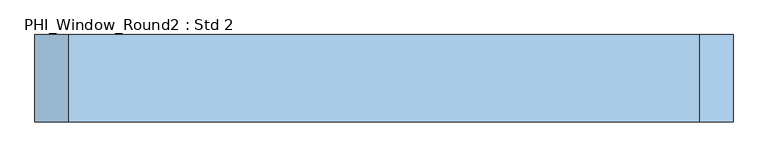
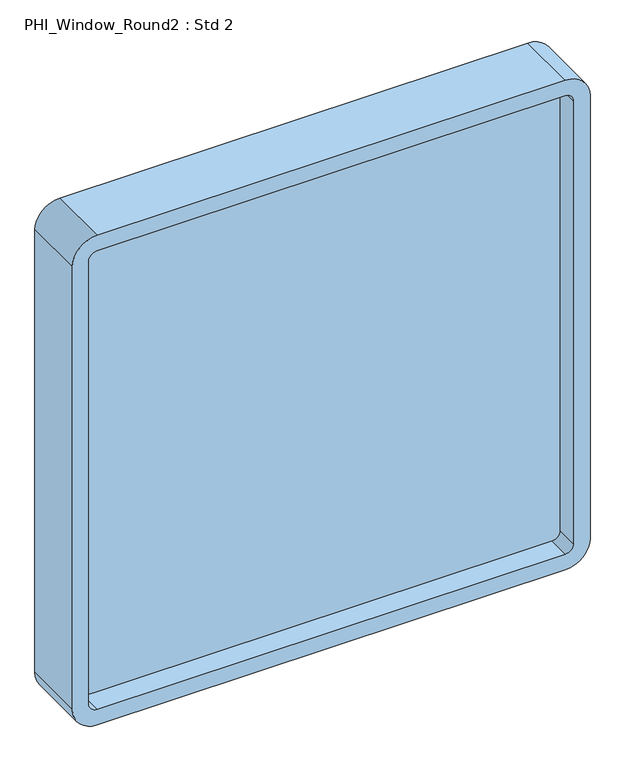
"""IFC4 building model written with IfcOpenShell, lengths in millimetres: window geometry, PHI_Window_Round2 : Std 2."""

from ifc_helpers import new_model, si_unit, point, frame, frame_2d, origin, place, context, project, spatial, polyline, circle_curve, trimmed, segment, composite_curve, outline, extrude, source, transform, mapped, element, save


def phi_window_round2_std_2_303b1c18(model_context):
    return source(origin(), model_context, "Body", "SweptSolid", [
        extrude(outline(composite_curve([segment(polyline([(1915.0, 452.1685633), (1915.0, -452.1685633)]), True, "CONTINUOUS"), segment(trimmed(circle_curve(frame_2d((1867.0, -452.1685633)), 48.0), [point((1915.0, -452.1685633))], [point((1867.0, -500.1685633))], False, "CARTESIAN"), True, "CONTINUOUS"), segment(polyline([(1867.0, -500.1685633), (963.0, -500.1685633)]), True, "CONTINUOUS"), segment(trimmed(circle_curve(frame_2d((963.0, -452.1685633)), 48.0), [point((963.0, -500.1685633))], [point((915.0, -452.1685633))], False, "CARTESIAN"), True, "CONTINUOUS"), segment(polyline([(915.0, -452.1685633), (915.0, 452.1685633)]), True, "CONTINUOUS"), segment(trimmed(circle_curve(frame_2d((963.0, 452.1685633)), 48.0), [point((915.0, 452.1685633))], [point((963.0, 500.1685633))], False, "CARTESIAN"), True, "CONTINUOUS"), segment(polyline([(963.0, 500.1685633), (1867.0, 500.1685633)]), True, "CONTINUOUS"), segment(trimmed(circle_curve(frame_2d((1867.0, 452.1685633)), 48.0), [point((1867.0, 500.1685633))], [point((1915.0, 452.1685633))], False, "CARTESIAN"), True, "CONTINUOUS")], self_intersect=False), holes=[composite_curve([segment(polyline([(963.0, -468.1685633), (1867.0, -468.1685633)]), True, "CONTINUOUS"), segment(trimmed(circle_curve(frame_2d((1867.0, -452.1685633)), 16.0), [point((1867.0, -468.1685633))], [point((1883.0, -452.1685633))], True, "CARTESIAN"), True, "CONTINUOUS"), segment(polyline([(1883.0, -452.1685633), (1883.0, 452.1685633)]), True, "CONTINUOUS"), segment(trimmed(circle_curve(frame_2d((1867.0, 452.1685633)), 16.0), [point((1883.0, 452.1685633))], [point((1867.0, 468.1685633))], True, "CARTESIAN"), True, "CONTINUOUS"), segment(polyline([(1867.0, 468.1685633), (963.0, 468.1685633)]), True, "CONTINUOUS"), segment(trimmed(circle_curve(frame_2d((963.0, 452.1685633)), 16.0), [point((963.0, 468.1685633))], [point((947.0, 452.1685633))], True, "CARTESIAN"), True, "CONTINUOUS"), segment(polyline([(947.0, 452.1685633), (947.0, -452.1685633)]), True, "CONTINUOUS"), segment(trimmed(circle_curve(frame_2d((963.0, -452.1685633)), 16.0), [point((947.0, -452.1685633))], [point((963.0, -468.1685633))], True, "CARTESIAN"), True, "CONTINUOUS")], self_intersect=False)]), frame((0.0, -37.0, 0.0), z_axis=(0.0, 1.0, 0.0), x_axis=(0.0, 0.0, 1.0)), (0.0, 0.0, 1.0), 125.0),
        extrude(outline(polyline([(-481.1685633, 19.0), (481.1685633, 19.0), (481.1685633, 7.0), (-481.1685633, 7.0), (-481.1685633, 19.0)])), frame((0.0, 0.0, 934.0), z_axis=(0.0, 0.0, 1.0), x_axis=(1.0, 0.0, 0.0)), (0.0, 0.0, 1.0), 962.0),
    ])


if __name__ == "__main__":
    model = new_model("IFC4")
    model_context = context("Model", 3, world=origin())
    ifc_project = project(units=[si_unit("LENGTHUNIT", "METRE", prefix="MILLI")], contexts=[model_context])
    site = spatial("IfcSite", under=ifc_project)
    building = spatial("IfcBuilding", under=site)
    placement = place(None, origin())
    phi_window_round2_std_2_shape = phi_window_round2_std_2_303b1c18(model_context)
    element("IfcWindow", 1, ObjectType="PHI_Window_Round2 : Std 2", at=placement, inside=building, context=model_context, shape_type="MappedRepresentation", body=[
        mapped(phi_window_round2_std_2_shape, transform((0.0, 0.0, 0.0), x_axis=(1.0, 0.0, 0.0), y_axis=(0.0, 1.0, 0.0), z_axis=(0.0, 0.0, 1.0))),
    ])
    save(model, "model.ifc")
